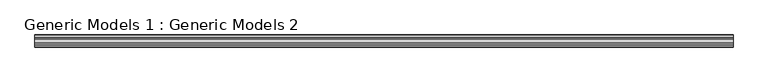
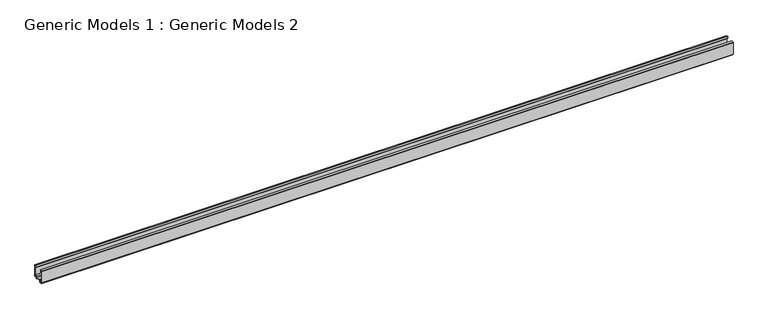
"""IFC4 building model written with IfcOpenShell, lengths in millimetres: proxy geometry, Generic Models 1 : Generic Models 2."""

from ifc_helpers import new_model, si_unit, frame, origin, place, context, project, spatial, polyline, outline, extrude, source, transform, mapped, element, save


def generic_models_1_generic_models_2_f8c5af5c(model_context):
    return source(origin(), model_context, "Body", "SweptSolid", [
        extrude(outline(polyline([(96.6564373, 9.0855634), (97.5159167, 9.5621915), (97.5159167, 10.6129785), (87.6144227, 12.0274777), (87.6144227, 13.3996265), (99.7689512, 13.3996265), (99.7689512, 57.926704), (97.4566263, 57.926704), (97.4566263, 62.1956116), (99.2353378, 67.057423), (97.4566263, 67.3538749), (97.4566263, 70.4962652), (102.9113415, 70.4962652), (102.9113415, 5.9883287), (99.7689512, 5.9883287), (99.7689512, 8.3006536), (98.3610745, 8.3006536), (97.3477478, 7.6419912), (96.6071928, 8.1356945), (96.6564373, 9.0855634)])), frame((0.0, 0.0, 0.0), z_axis=(1.0, 0.0, 0.0), x_axis=(0.0, 1.0, 0.0)), (0.0, 0.0, 1.0), 3657.6),
        extrude(outline(polyline([(101.2989028, 71.732598), (101.2989028, 70.6939849), (97.1660407, 70.6939849), (97.1660407, 66.9277471), (98.7080775, 66.670741), (97.1660407, 62.4558402), (97.1660407, 57.926704), (95.9607367, 57.926704), (89.8674573, 63.1753705), (89.8674573, 74.7809835), (101.2989028, 71.732598)])), frame((0.0, 0.0, 0.0), z_axis=(1.0, 0.0, 0.0), x_axis=(0.0, 1.0, 0.0)), (0.0, 0.0, 1.0), 3657.6),
        extrude(outline(polyline([(41.960828, 58.6381886), (41.960828, 15.7119514), (58.0285217, 15.7119514), (58.0285217, 8.834267), (83.938419, 8.834267), (83.938419, 15.7119514), (99.4132089, 15.7119514), (99.4132089, 14.1704015), (85.954292, 14.1704015), (85.954292, 8.834267), (89.6895861, 8.834267), (90.9939745, 7.5298786), (97.8123686, 7.5298786), (98.7610147, 8.1820728), (99.5910801, 7.6484594), (99.5910801, 6.2847806), (90.9939745, 6.2847806), (90.9939745, 0.0), (88.9781015, 0.0), (88.9781015, 6.2847806), (57.9099409, 6.2847806), (57.9099409, 0.0), (55.8940679, 0.0), (55.8940679, 6.2847806), (44.9846375, 6.2847806), (44.9846375, 0.0), (42.9687645, 0.0), (42.9687645, 6.2847806), (39.4113415, 6.2847806), (39.4113415, 68.7120125), (46.5261874, 69.3104575), (46.5261874, 64.270775), (45.221799, 64.0480745), (45.221799, 66.081298), (43.6311408, 66.081298), (42.7457191, 64.182505), (42.7457191, 61.9010859), (43.7395394, 60.1797386), (45.221799, 60.1797386), (45.221799, 61.9880557), (46.5261874, 60.6837832), (46.5261874, 58.6381886), (41.960828, 58.6381886)]), holes=[polyline([(42.5537318, 8.4192344), (55.8940679, 8.4192344), (55.8940679, 14.1704015), (42.5537318, 14.1704015), (42.5537318, 8.4192344)])]), frame((0.0, 0.0, 0.0), z_axis=(1.0, 0.0, 0.0), x_axis=(0.0, 1.0, 0.0)), (0.0, 0.0, 1.0), 3657.6),
        extrude(outline(polyline([(49.8674573, 73.2908075), (49.8674573, 58.6381886), (46.8330329, 58.6381886), (46.8330329, 60.8664286), (44.9946215, 62.7048399), (44.9946215, 60.4504517), (43.9054346, 60.4504517), (43.0449863, 61.940792), (43.0449863, 64.0210905), (43.8850318, 65.8225741), (44.9093808, 65.8225741), (44.9093808, 63.7843107), (46.8330329, 64.1127391), (46.8330329, 69.5530389), (39.9088178, 68.9706283), (39.9088178, 71.0720433), (49.8674573, 73.2908075)])), frame((0.0, 0.0, 0.0), z_axis=(1.0, 0.0, 0.0), x_axis=(0.0, 1.0, 0.0)), (0.0, 0.0, 1.0), 3657.6),
    ])


if __name__ == "__main__":
    model = new_model("IFC4")
    model_context = context("Model", 3, world=origin())
    ifc_project = project(units=[si_unit("LENGTHUNIT", "METRE", prefix="MILLI")], contexts=[model_context])
    site = spatial("IfcSite", under=ifc_project)
    building = spatial("IfcBuilding", under=site)
    placement = place(None, origin())
    generic_models_1_generic_models_2_shape = generic_models_1_generic_models_2_f8c5af5c(model_context)
    element("IfcBuildingElementProxy", 1, Name="Generic Models 1 : Generic Models 2", ObjectType="Generic Models 1 : Generic Models 2", at=placement, inside=building, context=model_context, shape_type="MappedRepresentation", body=[
        mapped(generic_models_1_generic_models_2_shape, transform((0.0, 0.0, 0.0), x_axis=(1.0, 0.0, 0.0), y_axis=(0.0, 1.0, 0.0), z_axis=(0.0, 0.0, 1.0))),
    ])
    save(model, "model.ifc")
